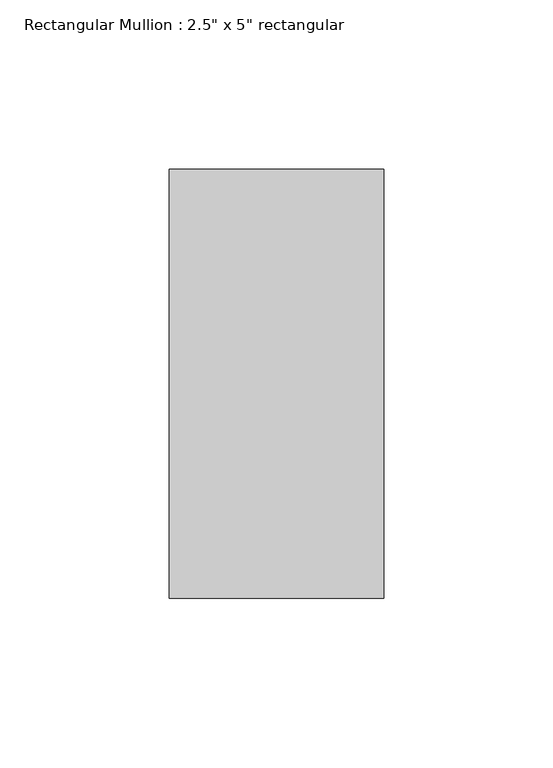
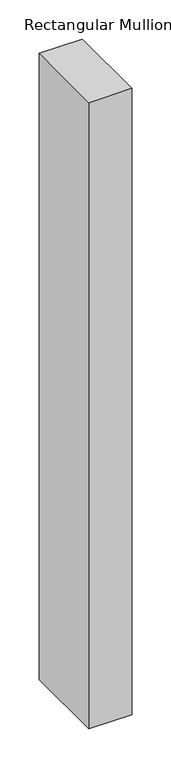
"""IFC4 building model written with IfcOpenShell, lengths in millimetres: member geometry."""

from ifc_helpers import new_model, si_unit, frame, origin, place, context, project, spatial, polyline, outline, extrude, source, transform, mapped, element, save


def member_ac486595(model_context):
    return source(origin(), model_context, "Body", "SweptSolid", [
        extrude(outline(polyline([(0.0, 63.5), (0.0, -63.5), (-63.5, -63.5), (-63.5, 63.5), (0.0, 63.5)])), frame((0.0, 0.0, -977.4640991), z_axis=(0.0, 0.0, 1.0), x_axis=(1.0, 0.0, 0.0)), (0.0, 0.0, 1.0), 977.4640991),
    ])


if __name__ == "__main__":
    model = new_model("IFC4")
    model_context = context("Model", 3, world=origin())
    ifc_project = project(units=[si_unit("LENGTHUNIT", "METRE", prefix="MILLI")], contexts=[model_context])
    site = spatial("IfcSite", under=ifc_project)
    building = spatial("IfcBuilding", under=site)
    placement = place(None, origin())
    member_shape = member_ac486595(model_context)
    element("IfcMember", 1, ObjectType="Rectangular Mullion : 2.5\" x 5\" rectangular", at=placement, inside=building, context=model_context, shape_type="MappedRepresentation", body=[
        mapped(member_shape, transform((0.0, 0.0, 0.0), x_axis=(1.0, 0.0, 0.0), y_axis=(0.0, 1.0, 0.0), z_axis=(0.0, 0.0, 1.0))),
    ])
    save(model, "model.ifc")
